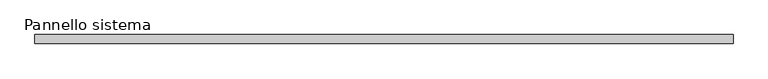
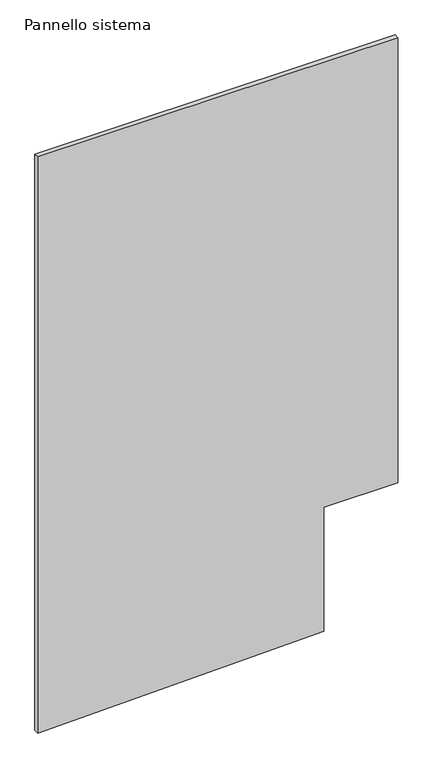
"""IFC4 building model written with IfcOpenShell, lengths in millimetres: plate geometry, Pannello sistema."""

from ifc_helpers import new_model, si_unit, frame, origin, place, context, project, spatial, polyline, outline, extrude, source, transform, mapped, element, save


def pannello_sistema_70d2c928(model_context):
    return source(origin(), model_context, "Body", "SweptSolid", [
        extrude(outline(polyline([(0.0, -960.0), (39.4960253, 565.0), (739.4296499, 565.0), (739.4296499, 960.0), (3246.969574, 960.0), (3246.969574, -960.0), (0.0, -960.0)])), frame((0.0, -12.5, 0.0), z_axis=(0.0, 1.0, 0.0), x_axis=(0.0, 0.0, 1.0)), (0.0, 0.0, 1.0), 25.0),
    ])


if __name__ == "__main__":
    model = new_model("IFC4")
    model_context = context("Model", 3, world=origin())
    ifc_project = project(units=[si_unit("LENGTHUNIT", "METRE", prefix="MILLI")], contexts=[model_context])
    site = spatial("IfcSite", under=ifc_project)
    building = spatial("IfcBuilding", under=site)
    placement = place(None, origin())
    pannello_sistema_shape = pannello_sistema_70d2c928(model_context)
    element("IfcPlate", 1, ObjectType="Pannello sistema", at=placement, inside=building, context=model_context, shape_type="MappedRepresentation", body=[
        mapped(pannello_sistema_shape, transform((0.0, 0.0, 0.0), x_axis=(1.0, 0.0, 0.0), y_axis=(0.0, 1.0, 0.0), z_axis=(0.0, 0.0, 1.0))),
    ])
    save(model, "model.ifc")
